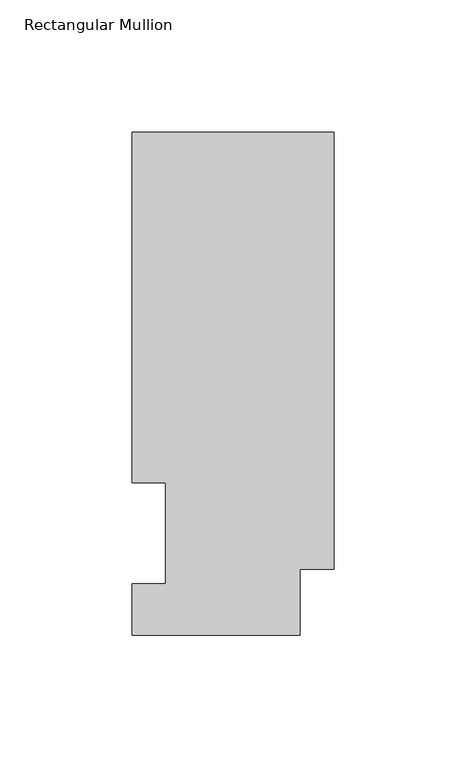
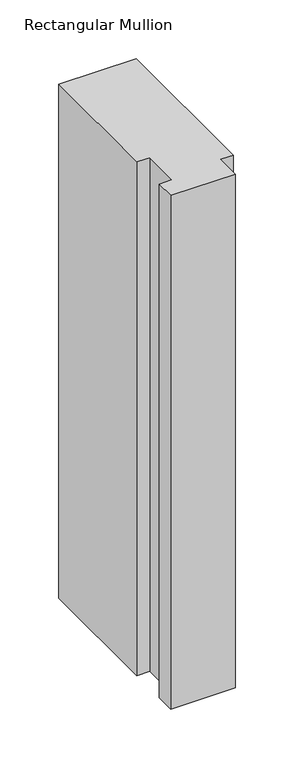
"""IFC4 building model written with IfcOpenShell, lengths in millimetres: member geometry, Rectangular Mullion."""

from ifc_helpers import new_model, si_unit, frame, origin, place, context, project, spatial, polyline, outline, extrude, source, transform, mapped, element, save


def rectangular_mullion_0a15d9a0(model_context):
    return source(origin(), model_context, "Body", "SweptSolid", [
        extrude(outline(polyline([(0.0, 190.0816937), (0.0, 25.0832937), (-12.7, 25.0832937), (-12.7, 0.0134937), (-76.2, 0.0134937), (-76.2, 19.5460937), (-63.5, 19.5460937), (-63.5, 57.6460937), (-76.2, 57.6460937), (-76.2, 190.0816937), (0.0, 190.0816937)])), frame((0.0, 0.0, -533.4), z_axis=(0.0, 0.0, 1.0), x_axis=(1.0, 0.0, 0.0)), (0.0, 0.0, 1.0), 533.4),
    ])


if __name__ == "__main__":
    model = new_model("IFC4")
    model_context = context("Model", 3, world=origin())
    ifc_project = project(units=[si_unit("LENGTHUNIT", "METRE", prefix="MILLI")], contexts=[model_context])
    site = spatial("IfcSite", under=ifc_project)
    building = spatial("IfcBuilding", under=site)
    placement = place(None, origin())
    rectangular_mullion_shape = rectangular_mullion_0a15d9a0(model_context)
    element("IfcMember", 1, ObjectType="Rectangular Mullion", at=placement, inside=building, context=model_context, shape_type="MappedRepresentation", body=[
        mapped(rectangular_mullion_shape, transform((0.0, 0.0, 0.0), x_axis=(1.0, 0.0, 0.0), y_axis=(0.0, 1.0, 0.0), z_axis=(0.0, 0.0, 1.0))),
    ])
    save(model, "model.ifc")
